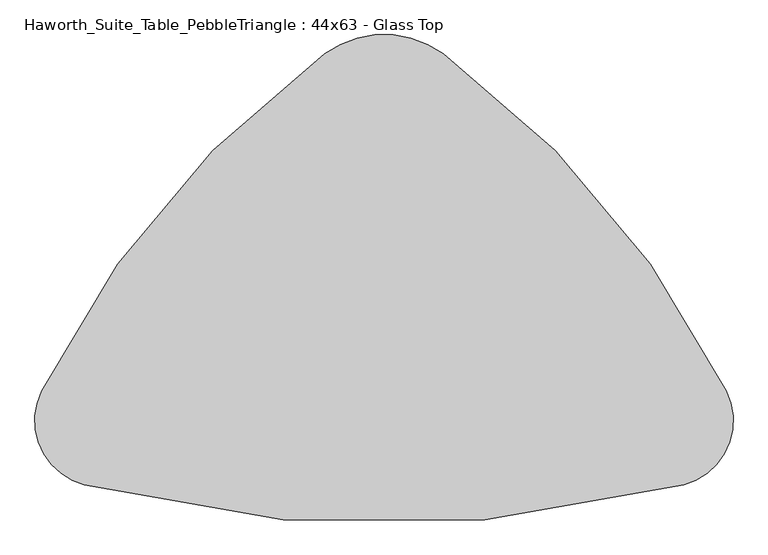
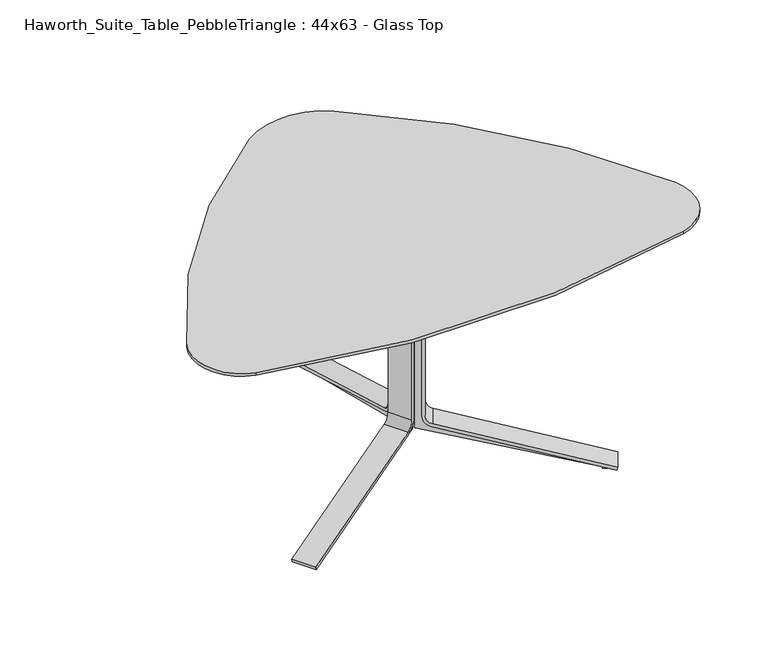
"""IFC4 building model written with IfcOpenShell, lengths in millimetres: furniture geometry, Haworth_Suite_Table_PebbleTriangle : 44x63 - Glass Top."""

from ifc_helpers import new_model, si_unit, point, frame, frame_2d, origin, place, context, project, spatial, polyline, circle_curve, trimmed, segment, composite_curve, outline, extrude, source, transform, mapped, element, save


def haworth_suite_table_pebbletriangle_44x63_glass_top_c3c85834(model_context):
    return source(origin(), model_context, "Body", "SweptSolid", [
        extrude(outline(composite_curve([segment(polyline([(-269.3436324, 0.0), (-295.5330754, 5.8726591), (-44.1875449, 20.7494046)]), True, "CONTINUOUS"), segment(trimmed(circle_curve(frame_2d((-46.438684, 58.7828422)), 38.1), [point((-44.1875449, 20.7494046))], [point((-9.2618925, 50.446406))], True, "CARTESIAN"), True, "CONTINUOUS"), segment(polyline([(-9.2618925, 50.446406), (82.3027309, 458.7838346)]), True, "CONTINUOUS"), segment(trimmed(circle_curve(frame_2d((45.1259393, 467.1202708)), 38.1), [point((82.3027309, 458.7838346))], [point((63.4019806, 500.5507407))], True, "CARTESIAN"), True, "CONTINUOUS"), segment(polyline([(63.4019806, 500.5507407), (-393.0670035, 750.0969211), (-391.6775969, 756.2930555), (-363.1013705, 749.8851897), (-364.1289314, 745.3027257), (112.9884974, 503.8783626), (0.0, 0.0), (-269.3436324, 0.0)]), True, "CONTINUOUS")], self_intersect=False)), frame((-15.5441472, -673.435421, 652.2665091), z_axis=(-0.49999999999999856, 0.8660254037844395, 0.0), x_axis=(0.8450405756685904, 0.4878844038384151, -0.21880409951582677)), (0.0, 0.0, 1.0), 47.625),
        extrude(outline(composite_curve([segment(polyline([(27.4680529, -36.4513375), (174.0095606, 474.5996329), (183.1655841, 471.9741854), (36.3672848, -39.0934672)]), True, "CONTINUOUS"), segment(trimmed(circle_curve(frame_2d((-0.2519977, -28.575)), 38.1), [point((36.3672848, -39.0934672))], [point((-0.2519977, -66.675))], False, "CARTESIAN"), True, "CONTINUOUS"), segment(polyline([(-0.2519977, -66.675), (-418.7296385, -66.675)]), True, "CONTINUOUS"), segment(trimmed(circle_curve(frame_2d((-418.7296385, -28.575)), 38.1), [point((-418.7296385, -66.675))], [point((-455.3489221, -39.0934634))], False, "CARTESIAN"), True, "CONTINUOUS"), segment(polyline([(-455.3489221, -39.0934634), (-523.3798781, 197.7514787)]), True, "CONTINUOUS"), segment(trimmed(circle_curve(frame_2d((-486.7605946, 208.2699421)), 38.1), [point((-523.3798781, 197.7514787))], [point((-524.8605946, 208.2699421))], False, "CARTESIAN"), True, "CONTINUOUS"), segment(polyline([(-524.8605946, 208.2699421), (-524.8605946, 303.1768115), (-515.3355946, 303.1768115), (-515.3355946, 210.0197483)]), True, "CONTINUOUS"), segment(trimmed(circle_curve(frame_2d((-477.2355946, 210.0197483)), 38.1), [point((-515.3355946, 210.0197483))], [point((-513.8596652, 199.5179651))], True, "CARTESIAN"), True, "CONTINUOUS"), segment(polyline([(-513.8596652, 199.5179651), (-446.1965565, -36.4513375)]), True, "CONTINUOUS"), segment(trimmed(circle_curve(frame_2d((-418.7285036, -28.575)), 28.575), [point((-446.1965565, -36.4513375))], [point((-418.7285036, -57.15))], True, "CARTESIAN"), True, "CONTINUOUS"), segment(polyline([(-418.7285036, -57.15), (0.0, -57.15)]), True, "CONTINUOUS"), segment(trimmed(circle_curve(frame_2d((0.0, -28.575)), 28.575), [point((0.0, -57.15))], [point((27.4680529, -36.4513375))], True, "CARTESIAN"), True, "CONTINUOUS")], self_intersect=False)), frame((-83.5284008, -729.1839321, 186.3393812), z_axis=(-0.4999999999999986, 0.8660254037844395, 0.0), x_axis=(0.0, 0.0, -1.0)), (0.0, 0.0, 1.0), 76.2),
        extrude(outline(composite_curve([segment(polyline([(-269.3436324, 0.0), (0.0, 0.0), (112.9884974, -503.8783626), (-364.1289314, -745.3027257), (-363.1013705, -749.8851897), (-391.6775969, -756.2930555), (-393.0670035, -750.0969211), (63.4019806, -500.5507407)]), True, "CONTINUOUS"), segment(trimmed(circle_curve(frame_2d((45.1259393, -467.1202708)), 38.1), [point((63.4019806, -500.5507407))], [point((82.3027309, -458.7838346))], True, "CARTESIAN"), True, "CONTINUOUS"), segment(polyline([(82.3027309, -458.7838346), (-9.2618925, -50.446406)]), True, "CONTINUOUS"), segment(trimmed(circle_curve(frame_2d((-46.438684, -58.7828422)), 38.1), [point((-9.2618925, -50.446406))], [point((-44.1875449, -20.7494046))], True, "CARTESIAN"), True, "CONTINUOUS"), segment(polyline([(-44.1875449, -20.7494046), (-295.5330754, -5.8726591), (-269.3436324, 0.0)]), True, "CONTINUOUS")], self_intersect=False)), frame((-9.8558528, -673.435421, 652.2665091), z_axis=(0.49999999999999856, 0.8660254037844395, 0.0), x_axis=(-0.8450405756685904, 0.4878844038384151, -0.21880409951582677)), (0.0, 0.0, 1.0), 47.625),
        extrude(outline(composite_curve([segment(trimmed(circle_curve(frame_2d((0.0, 28.575)), 28.575), [point((27.4680529, 36.4513375))], [point((0.0, 57.15))], True, "CARTESIAN"), True, "CONTINUOUS"), segment(polyline([(0.0, 57.15), (-418.7285036, 57.15)]), True, "CONTINUOUS"), segment(trimmed(circle_curve(frame_2d((-418.7285036, 28.575)), 28.575), [point((-418.7285036, 57.15))], [point((-446.1965565, 36.4513375))], True, "CARTESIAN"), True, "CONTINUOUS"), segment(polyline([(-446.1965565, 36.4513375), (-513.8596652, -199.5179651)]), True, "CONTINUOUS"), segment(trimmed(circle_curve(frame_2d((-477.2355946, -210.0197483)), 38.1), [point((-513.8596652, -199.5179651))], [point((-515.3355946, -210.0197483))], True, "CARTESIAN"), True, "CONTINUOUS"), segment(polyline([(-515.3355946, -210.0197483), (-515.3355946, -303.1768115), (-524.8605946, -303.1768115), (-524.8605946, -208.2699421)]), True, "CONTINUOUS"), segment(trimmed(circle_curve(frame_2d((-486.7605946, -208.2699421)), 38.1), [point((-524.8605946, -208.2699421))], [point((-523.3798781, -197.7514787))], False, "CARTESIAN"), True, "CONTINUOUS"), segment(polyline([(-523.3798781, -197.7514787), (-455.3489221, 39.0934634)]), True, "CONTINUOUS"), segment(trimmed(circle_curve(frame_2d((-418.7296385, 28.575)), 38.1), [point((-455.3489221, 39.0934634))], [point((-418.7296385, 66.675))], False, "CARTESIAN"), True, "CONTINUOUS"), segment(polyline([(-418.7296385, 66.675), (-0.2519977, 66.675)]), True, "CONTINUOUS"), segment(trimmed(circle_curve(frame_2d((-0.2519977, 28.575)), 38.1), [point((-0.2519977, 66.675))], [point((36.3672848, 39.0934672))], False, "CARTESIAN"), True, "CONTINUOUS"), segment(polyline([(36.3672848, 39.0934672), (183.1655841, -471.9741854), (174.0095606, -474.5996329), (27.4680529, 36.4513375)]), True, "CONTINUOUS")], self_intersect=False)), frame((58.1284008, -729.1839321, 186.3393812), z_axis=(0.4999999999999986, 0.8660254037844395, 0.0), x_axis=(0.0, 0.0, -1.0)), (0.0, 0.0, 1.0), 76.2),
        extrude(outline(composite_curve([segment(polyline([(-364.4476386, 711.2), (-337.6078352, 711.2), (-579.6078709, 641.6883033)]), True, "CONTINUOUS"), segment(trimmed(circle_curve(frame_2d((-569.0894074, 605.0690197)), 38.1), [point((-579.6078709, 641.6883033))], [point((-607.1894074, 605.0690197))], True, "CARTESIAN"), True, "CONTINUOUS"), segment(polyline([(-607.1894074, 605.0690197), (-607.1894074, 186.5913789)]), True, "CONTINUOUS"), segment(trimmed(circle_curve(frame_2d((-569.0894074, 186.5913789)), 38.1), [point((-607.1894074, 186.5913789))], [point((-579.6078747, 149.9720964))], True, "CARTESIAN"), True, "CONTINUOUS"), segment(polyline([(-579.6078747, 149.9720964), (-79.5979509, 6.3500025), (-79.5979509, 0.0), (-108.8838087, 0.0), (-108.8838087, 4.69626), (-627.2647536, 135.8753736), (-627.2647536, 652.2665091), (-364.4476386, 711.2)]), True, "CONTINUOUS")], self_intersect=False)), frame((-36.5125, 0.0, 0.0), z_axis=(1.0, 0.0, 0.0), x_axis=(0.0, 1.0, 0.0)), (0.0, 0.0, 1.0), 47.625),
        extrude(outline(composite_curve([segment(polyline([(-576.9657449, 158.8713283), (-65.9147745, 12.3298206), (-68.540222, 3.1737971), (-579.6078747, 149.9720964)]), True, "CONTINUOUS"), segment(trimmed(circle_curve(frame_2d((-569.0894074, 186.5913789)), 38.1), [point((-579.6078747, 149.9720964))], [point((-607.1894074, 186.5913789))], False, "CARTESIAN"), True, "CONTINUOUS"), segment(polyline([(-607.1894074, 186.5913789), (-607.1894074, 605.0690197)]), True, "CONTINUOUS"), segment(trimmed(circle_curve(frame_2d((-569.0894074, 605.0690197)), 38.1), [point((-607.1894074, 605.0690197))], [point((-579.6078709, 641.6883033))], False, "CARTESIAN"), True, "CONTINUOUS"), segment(polyline([(-579.6078709, 641.6883033), (-342.7629288, 709.7192593)]), True, "CONTINUOUS"), segment(trimmed(circle_curve(frame_2d((-332.2444653, 673.0999758)), 38.1), [point((-342.7629288, 709.7192593))], [point((-332.2444653, 711.1999758))], False, "CARTESIAN"), True, "CONTINUOUS"), segment(polyline([(-332.2444653, 711.1999758), (-237.3375959, 711.1999758), (-237.3375959, 701.6749758), (-330.4946591, 701.6749758)]), True, "CONTINUOUS"), segment(trimmed(circle_curve(frame_2d((-330.4946591, 663.5749758)), 38.1), [point((-330.4946591, 701.6749758))], [point((-340.9964424, 700.1990464))], True, "CARTESIAN"), True, "CONTINUOUS"), segment(polyline([(-340.9964424, 700.1990464), (-576.9657449, 632.5359377)]), True, "CONTINUOUS"), segment(trimmed(circle_curve(frame_2d((-569.0894074, 605.0678848)), 28.575), [point((-576.9657449, 632.5359377))], [point((-597.6644074, 605.0678848))], True, "CARTESIAN"), True, "CONTINUOUS"), segment(polyline([(-597.6644074, 605.0678848), (-597.6644074, 186.3393812)]), True, "CONTINUOUS"), segment(trimmed(circle_curve(frame_2d((-569.0894074, 186.3393812)), 28.575), [point((-597.6644074, 186.3393812))], [point((-576.9657449, 158.8713283))], True, "CARTESIAN"), True, "CONTINUOUS")], self_intersect=False)), frame((-50.8, 0.0, 0.0), z_axis=(1.0, 0.0, 0.0), x_axis=(0.0, 1.0, 0.0)), (0.0, 0.0, 1.0), 76.2),
        extrude(outline(composite_curve([segment(trimmed(circle_curve(frame_2d((1100.2160645, -1701.357716)), 2059.4079312), [point((-715.6651596, -729.8967507))], [point((-151.6619348, -66.1321957))], False, "CARTESIAN"), True, "CONTINUOUS"), segment(trimmed(circle_curve(frame_2d((-12.7, -247.64677)), 228.6), [point((-151.6619348, -66.1321957))], [point((126.2619348, -66.1321957))], False, "CARTESIAN"), True, "CONTINUOUS"), segment(trimmed(circle_curve(frame_2d((-1125.6160645, -1701.357716)), 2059.4079312), [point((126.2619348, -66.1321957))], [point((690.2387609, -729.8474072))], False, "CARTESIAN"), True, "CONTINUOUS"), segment(trimmed(circle_curve(frame_2d((555.8621417, -801.7409689)), 152.4), [point((690.2387609, -729.8474072))], [point((591.3098399, -949.9611453))], False, "CARTESIAN"), True, "CONTINUOUS"), segment(trimmed(circle_curve(frame_2d((-12.8077672, 1576.0820917)), 2597.2779054), [point((591.3098399, -949.9611453))], [point((-616.7223736, -950.0096854))], False, "CARTESIAN"), True, "CONTINUOUS"), segment(trimmed(circle_curve(frame_2d((-581.2865868, -801.7866608)), 152.4), [point((-616.7223736, -950.0096854))], [point((-715.6651596, -729.8967507))], False, "CARTESIAN"), True, "CONTINUOUS")], self_intersect=False)), frame((0.0, 0.0, 711.2), z_axis=(0.0, 0.0, 1.0), x_axis=(1.0, 0.0, 0.0)), (0.0, 0.0, 1.0), 28.575),
        extrude(outline(composite_curve([segment(trimmed(circle_curve(frame_2d((1100.2160645, -1701.357716)), 2110.2079312), [point((-792.3394683, -767.9708357))], [point((-147.9102147, 0.1587559))], False, "CARTESIAN"), True, "CONTINUOUS"), segment(trimmed(circle_curve(frame_2d((-12.7, -184.1674708)), 228.6), [point((-147.9102147, 0.1587559))], [point((122.5102147, 0.1587559))], False, "CARTESIAN"), True, "CONTINUOUS"), segment(trimmed(circle_curve(frame_2d((-1125.6160645, -1701.357716)), 2110.2079312), [point((122.5102147, 0.1587559))], [point((766.9124695, -767.9160943))], False, "CARTESIAN"), True, "CONTINUOUS"), segment(trimmed(circle_curve(frame_2d((630.2333563, -835.3295947)), 152.4), [point((766.9124695, -767.9160943))], [point((669.5010307, -982.5838298))], False, "CARTESIAN"), True, "CONTINUOUS"), segment(trimmed(circle_curve(frame_2d((-12.8077672, 1576.0820917)), 2648.0779054), [point((669.5010307, -982.5838298))], [point((-694.9144475, -982.6377191))], False, "CARTESIAN"), True, "CONTINUOUS"), segment(trimmed(circle_curve(frame_2d((-655.6584053, -835.3803826)), 152.4), [point((-694.9144475, -982.6377191))], [point((-792.3394683, -767.9708357))], False, "CARTESIAN"), True, "CONTINUOUS")], self_intersect=False)), frame((0.0, 0.0, 739.775), z_axis=(0.0, 0.0, 1.0), x_axis=(1.0, 0.0, 0.0)), (0.0, 0.0, 1.0), 9.525),
    ])


if __name__ == "__main__":
    model = new_model("IFC4")
    model_context = context("Model", 3, world=origin())
    ifc_project = project(units=[si_unit("LENGTHUNIT", "METRE", prefix="MILLI")], contexts=[model_context])
    site = spatial("IfcSite", under=ifc_project)
    building = spatial("IfcBuilding", under=site)
    placement = place(None, origin())
    haworth_suite_table_pebbletriangle_44x63_glass_top_shape = haworth_suite_table_pebbletriangle_44x63_glass_top_c3c85834(model_context)
    element("IfcFurniture", 1, ObjectType="Haworth_Suite_Table_PebbleTriangle : 44x63 - Glass Top", at=placement, inside=building, context=model_context, shape_type="MappedRepresentation", body=[
        mapped(haworth_suite_table_pebbletriangle_44x63_glass_top_shape, transform((0.0, 0.0, 0.0), x_axis=(1.0, 0.0, 0.0), y_axis=(0.0, 1.0, 0.0), z_axis=(0.0, 0.0, 1.0))),
    ])
    save(model, "model.ifc")
